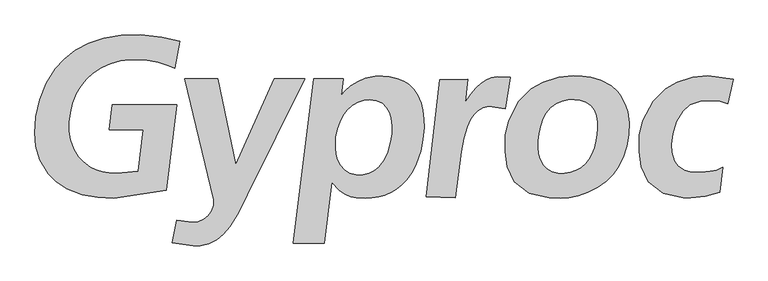
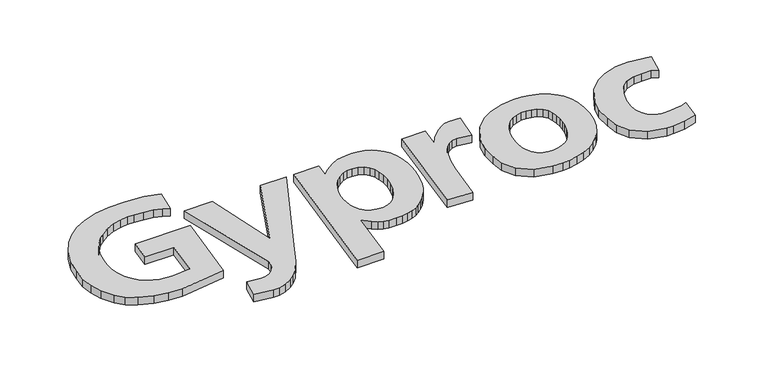
"""IFC4 building model written with IfcOpenShell, lengths in millimetres: proxy geometry."""

import ifcopenshell
import ifcopenshell.guid

model = None  # the IFC model being written
_history = None  # IfcOwnerHistory: only IFC2X3 demands one
_inside = {}  # id of a spatial element -> (the spatial element, [elements in it])
_under = {}  # id of a project, library or spatial element -> (it, [spatial elements below it])
_declared = {}  # id of a project -> (the project, [libraries it declares])
_typed = {}  # id of a type object -> (the type object, [elements of that type])
_made_of = {}  # id of a material, layer set ... -> (it, [elements and type objects made of it])


def new_model(schema):
    """Start an empty IFC model of exactly this schema.

    Asked for "IFC4X3", IfcOpenShell would pick the latest addendum, in which some entities
    have other attributes; the version numbers below select the first issue.
    IFC2X3 requires an IfcOwnerHistory on every rooted entity: one is made here for all.
    """
    global model, _history
    if schema == "IFC4X3":
        model = ifcopenshell.file(schema_version=(4, 3, 0, 0))
    else:
        model = ifcopenshell.file(schema=schema)
    _inside.clear()
    _under.clear()
    _declared.clear()
    _typed.clear()
    _made_of.clear()
    _history = None
    if model.schema == "IFC2X3":
        org = make("IfcOrganization", Name="unknown")
        user = make(
            "IfcPersonAndOrganization",
            ThePerson=make("IfcPerson", FamilyName="unknown"),
            TheOrganization=org,
        )
        app = make(
            "IfcApplication",
            ApplicationDeveloper=org,
            Version="unknown",
            ApplicationFullName="unknown",
            ApplicationIdentifier="unknown",
        )
        _history = make(
            "IfcOwnerHistory",
            OwningUser=user,
            OwningApplication=app,
            ChangeAction="ADDED",
            CreationDate=0,
        )
    return model


def make(cls, **values):
    """One entity of the class cls with the attributes given. An attribute that is None is left unset."""
    return model.create_entity(
        cls, **{name: value for name, value in values.items() if value is not None}
    )


def rooted(cls, **values):
    """An entity with a GlobalId (a new one), such as an element, a storey or a relation."""
    return make(cls, GlobalId=ifcopenshell.guid.new(), OwnerHistory=_history, **values)


def si_unit(unit_type, name, prefix=None):
    """IfcSIUnit, for example si_unit("LENGTHUNIT", "METRE", prefix="MILLI")."""
    return make("IfcSIUnit", UnitType=unit_type, Prefix=prefix, Name=name)


def assignment(units):
    """IfcUnitAssignment: the units of a project."""
    return None if units is None else make("IfcUnitAssignment", Units=units)


def point(xyz):
    """IfcCartesianPoint."""
    return None if xyz is None else make("IfcCartesianPoint", Coordinates=xyz)


def direction(xyz):
    """IfcDirection."""
    return None if xyz is None else make("IfcDirection", DirectionRatios=xyz)


def frame(location, z_axis=None, x_axis=None):
    """IfcAxis2Placement3D, a coordinate frame: its origin and axes. An axis left out is left unset."""
    return make(
        "IfcAxis2Placement3D",
        Location=point(location),
        Axis=direction(z_axis),
        RefDirection=direction(x_axis),
    )


def origin():
    """The frame at (0, 0, 0) with its axes left unset."""
    return frame((0.0, 0.0, 0.0))


def origin_with_axes():
    """The frame at (0, 0, 0) with the z axis (0, 0, 1) and the x axis (1, 0, 0) written out."""
    return frame((0.0, 0.0, 0.0), z_axis=(0.0, 0.0, 1.0), x_axis=(1.0, 0.0, 0.0))


def place(relative_to, where):
    """IfcLocalPlacement: puts the frame where relative to a parent placement (None: the world)."""
    return make(
        "IfcLocalPlacement", PlacementRelTo=relative_to, RelativePlacement=where
    )


def context(
    kind, dimensions, precision=None, world=None, true_north=None, identifier=None
):
    """IfcGeometricRepresentationContext, for example the 3D "Model" context."""
    return make(
        "IfcGeometricRepresentationContext",
        ContextIdentifier=identifier,
        ContextType=kind,
        CoordinateSpaceDimension=dimensions,
        Precision=precision,
        WorldCoordinateSystem=world,
        TrueNorth=true_north,
    )


def project(units=None, contexts=None):
    """IfcProject with its units and contexts."""
    return rooted(
        "IfcProject",
        Name="project",
        RepresentationContexts=contexts,
        UnitsInContext=assignment(units),
    )


def spatial(cls, under=None, at=None, **own):
    """A site, building, storey or space (cls), placed at a placement, below another one or the project."""
    s = rooted(cls, ObjectPlacement=at, **own)
    if under is not None:
        _under.setdefault(under.id(), (under, []))[1].append(s)
    return s


def polyline(points):
    """IfcPolyline through the points."""
    return make("IfcPolyline", Points=[point(p) for p in points])


def outline(outer, holes=None, kind="AREA"):
    """IfcArbitraryClosedProfileDef: a profile drawn as a closed curve; with holes, ...WithVoids."""
    if holes is None:
        return make("IfcArbitraryClosedProfileDef", ProfileType=kind, OuterCurve=outer)
    return make(
        "IfcArbitraryProfileDefWithVoids",
        ProfileType=kind,
        OuterCurve=outer,
        InnerCurves=holes,
    )


def extrude(swept, where, along, depth):
    """IfcExtrudedAreaSolid: the profile swept, set in the frame where, extruded along a direction by depth."""
    return make(
        "IfcExtrudedAreaSolid",
        SweptArea=swept,
        Position=where,
        ExtrudedDirection=direction(along),
        Depth=depth,
    )


def shape(context_of_items, identifier, shape_type, items):
    """IfcShapeRepresentation: the items that make up one representation, for example the "Body"."""
    return make(
        "IfcShapeRepresentation",
        ContextOfItems=context_of_items,
        RepresentationIdentifier=identifier,
        RepresentationType=shape_type,
        Items=items,
    )


def source(mapping_origin, context_of_items, identifier, shape_type, items):
    """IfcRepresentationMap: a shape defined once, which mapped items show again and again."""
    return make(
        "IfcRepresentationMap",
        MappingOrigin=mapping_origin,
        MappedRepresentation=shape(context_of_items, identifier, shape_type, items),
    )


def transform(
    local_origin,
    x_axis=None,
    y_axis=None,
    z_axis=None,
    scale=None,
    scale2=None,
    scale3=None,
    uniform=True,
):
    """IfcCartesianTransformationOperator3D, or its non-uniform kind. x_axis, y_axis, z_axis: its Axis1, 2, 3."""
    if uniform:
        return make(
            "IfcCartesianTransformationOperator3D",
            Axis1=direction(x_axis),
            Axis2=direction(y_axis),
            LocalOrigin=point(local_origin),
            Scale=scale,
            Axis3=direction(z_axis),
        )
    return make(
        "IfcCartesianTransformationOperator3DnonUniform",
        Axis1=direction(x_axis),
        Axis2=direction(y_axis),
        LocalOrigin=point(local_origin),
        Scale=scale,
        Axis3=direction(z_axis),
        Scale2=scale2,
        Scale3=scale3,
    )


def mapped(mapping_source, mapping_target):
    """IfcMappedItem: shows the shape of a source again, moved by a transform."""
    return make(
        "IfcMappedItem", MappingSource=mapping_source, MappingTarget=mapping_target
    )


def made_of(thing, what):
    """Note that an element or type object is made of a material, layer set ...; save() writes the relation."""
    if what is not None:
        _made_of.setdefault(what.id(), (what, []))[1].append(thing)
    return thing


def element(
    cls,
    number,
    at=None,
    inside=None,
    cuts=None,
    type_object=None,
    material=None,
    context=None,
    identifier="Body",
    shape_type=None,
    held_by="IfcProductDefinitionShape",
    body=None,
    shapes=None,
    **own,
):
    """One element of the class cls, such as IfcWall. Its Tag is "e" and its number.

    at: its placement. inside: the storey or other place that contains it. cuts: it is an
    opening in that element (IfcRelVoidsElement). A single representation is given by context,
    identifier, shape_type and body (its items); several are given by shapes. held_by: the class
    of the entity that holds the representations. save() writes the other relations.
    """
    e = rooted(cls, Tag="e%d" % number, ObjectPlacement=at, **own)
    if body is not None:
        shapes = [shape(context, identifier, shape_type, body)]
    if shapes is not None:
        e.Representation = make(held_by, Representations=shapes)
    if inside is not None:
        _inside.setdefault(inside.id(), (inside, []))[1].append(e)
    if cuts is not None:
        rooted(
            "IfcRelVoidsElement", RelatingBuildingElement=cuts, RelatedOpeningElement=e
        )
    if type_object is not None:
        _typed.setdefault(type_object.id(), (type_object, []))[1].append(e)
    return made_of(e, material)


def aggregate(whole, parts):
    """IfcRelAggregates: a whole, such as a stair, and the parts it consists of."""
    return rooted("IfcRelAggregates", RelatingObject=whole, RelatedObjects=parts)


def save(model, path):
    """Write the relations noted so far, then the file.

    IfcRelAggregates (storeys below a building ...), IfcRelContainedInSpatialStructure (elements
    in a storey), IfcRelDefinesByType, IfcRelAssociatesMaterial and IfcRelDeclares: one each for
    every whole, place, type object, material and project.
    """
    for whole, parts in _under.values():
        aggregate(whole, parts)
    for where, things in _inside.values():
        rooted(
            "IfcRelContainedInSpatialStructure",
            RelatedElements=things,
            RelatingStructure=where,
        )
    for kind, things in _typed.values():
        rooted("IfcRelDefinesByType", RelatedObjects=things, RelatingType=kind)
    for what, things in _made_of.values():
        rooted("IfcRelAssociatesMaterial", RelatedObjects=things, RelatingMaterial=what)
    for by, libraries in _declared.values():
        rooted("IfcRelDeclares", RelatingContext=by, RelatedDefinitions=libraries)
    model.write(path)


def entourage_49f1e8ef(model_context):
    return source(origin(), model_context, "Body", "SweptSolid", [
        extrude(outline(polyline([(1811.540008, -188.2841127), (1754.307508, -474.7391127), (1675.6255342, -442.4585543), (1577.9936936, -414.41896), (1462.7948781, -393.8115472), (1346.5825834, -385.3658863), (1268.8825026, -387.0550185), (1175.3045792, -398.5411174), (1067.5379454, -427.2563646), (969.2304519, -469.8224958), (880.7199251, -528.9421225), (809.1007202, -595.8317573), (750.6567464, -668.4644415), (704.0366979, -745.4888694), (660.7949138, -851.2285446), (634.782278, -953.5899554), (622.9583527, -1055.9513662), (623.971832, -1147.8401574), (638.1605424, -1240.4046014), (675.6592771, -1346.8199295), (722.2793255, -1422.4930516), (774.6424235, -1479.9235461), (853.0181571, -1536.3405613), (912.1377838, -1565.0558086), (981.7300301, -1586.0010477), (1047.944012, -1598.500626), (1135.070008, -1603.4441127), (1363.677508, -1578.9116127), (1417.880008, -1137.1616127), (1055.007508, -1137.1616127), (1087.872508, -870.3416127), (1779.102508, -870.3416127), (1667.030008, -1782.8516127), (1102.205008, -1870.2641127), (931.2279613, -1860.2120851), (768.6016922, -1830.278129), (601.954444, -1767.729564), (488.0267005, -1695.3519387), (400.4587094, -1607.7839477), (312.4439429, -1459.4544934), (270.0002738, -1313.3589165), (258.8308872, -1167.7101151), (270.4470493, -995.7015612), (310.6568411, -813.8639471), (378.5667117, -640.0682914), (476.4105384, -482.8033279), (571.5737124, -380.0449711), (690.4159859, -285.775348), (836.9583383, -208.4831927), (996.0104037, -154.8701369), (1184.5496497, -124.4894053), (1386.9389352, -120.0216507), (1619.7089522, -142.8071994), (1811.540008, -188.2841127)])), origin_with_axes(), (0.0, 0.0, 1.0), 100.0),
        extrude(outline(polyline([(2220.057508, -591.8516127), (2409.9331544, -1511.8838457), (2821.745008, -591.8516127), (3149.127508, -591.8516127), (2534.967508, -1832.1791127), (2437.0552711, -2028.4684101), (2345.3691757, -2177.2640648), (2278.1586058, -2255.352646), (2205.8975307, -2312.4622054), (2118.4849398, -2355.1972498), (2029.1298469, -2376.1762716), (1953.935008, -2380.6616127), (1729.347508, -2346.7691127), (1779.807508, -2106.5291127), (1943.337508, -2128.2041127), (2010.275856, -2120.0410778), (2066.6781831, -2096.246346), (2116.0302193, -2054.8258871), (2150.6941495, -2004.0050403), (2172.4325464, -1945.5463784), (2174.887188, -1885.8055659), (1863.935008, -591.8516127), (2220.057508, -591.8516127)])), origin_with_axes(), (0.0, 0.0, 1.0), 100.0),
        extrude(outline(polyline([(3244.175008, -591.1991127), (3560.892508, -591.1991127), (3538.827508, -768.4541127), (3585.2904247, -718.4475047), (3643.7096592, -666.0256822), (3714.7900966, -619.6012715), (3795.8662205, -586.5044428), (3907.1515303, -564.9581852), (3984.4515059, -562.5147952), (4052.6443006, -567.845828), (4139.0514573, -587.1708219), (4209.0212629, -616.7136287), (4261.4430854, -650.6989628), (4316.3082981, -703.1207854), (4359.845066, -766.6489264), (4396.2737901, -852.6118303), (4414.0438995, -926.1356578), (4426.2608497, -1023.4270065), (4427.1493551, -1108.0571523), (4420.4855641, -1200.6838472), (4409.1571194, -1277.7616965), (4389.6099991, -1366.1679906), (4372.0620162, -1425.0314778), (4335.8554184, -1516.5475409), (4294.0956614, -1595.1802748), (4239.6747015, -1670.7032396), (4189.2520162, -1724.9020731), (4131.0549081, -1771.1043574), (4076.6339482, -1804.4233124), (4007.5526481, -1835.5210038), (3941.1368644, -1854.6238713), (3869.1679215, -1866.8408215), (3795.522508, -1870.3691127), (3702.1826636, -1863.9203655), (3644.0177638, -1850.9948322), (3584.9715776, -1826.9063383), (3524.750343, -1787.2484521), (3438.1701405, -1700.6682496), (3357.417508, -2351.0216127), (3026.022508, -2351.0216127), (3244.175008, -591.1991127)]), holes=[polyline([(3784.7916443, -819.7967441), (3722.1090467, -840.3484154), (3663.0229915, -874.2586732), (3603.9369363, -929.2343941), (3561.2922182, -988.3204493), (3527.8957522, -1053.5720059), (3501.6923712, -1123.9614803), (3483.590008, -1212.6266127), (3479.0855327, -1274.5024731), (3480.1131163, -1336.671279), (3486.7924095, -1396.7849178), (3504.2613301, -1456.3847647), (3532.5198783, -1515.4708199), (3576.7059717, -1565.8224148), (3633.7368598, -1600.7602561), (3698.4746246, -1616.1740096), (3770.4054744, -1616.1740096), (3834.6294474, -1602.3016315), (3888.5775847, -1574.5568751), (3936.3602207, -1536.5362831), (3994.9324841, -1461.0088908), (4038.6047857, -1370.067745), (4067.3771257, -1266.2818046), (4080.2219203, -1178.9372012), (4081.2495038, -1092.1063897), (4070.4598764, -1009.8997042), (4052.9909557, -953.8963997), (4022.9341363, -898.6637829), (3976.9497716, -852.6794183), (3916.8361329, -824.4208701), (3843.3639077, -813.6312426), (3784.7916443, -819.7967441)])]), origin_with_axes(), (0.0, 0.0, 1.0), 100.0),
        extrude(outline(polyline([(4597.085008, -599.7041127), (4893.545008, -594.3191127), (4868.795008, -839.9441127), (4925.1620196, -753.4493379), (4986.3032419, -685.1150306), (5040.2513793, -637.8461865), (5090.5182401, -603.5378753), (5147.3053287, -576.6895579), (5209.6744865, -566.5342837), (5352.027508, -572.4266127), (5299.257508, -911.5991127), (5118.935008, -883.4141127), (5058.2260199, -899.2713821), (5004.0913391, -931.1392751), (4960.9083074, -974.0285446), (4924.7755666, -1029.2558232), (4889.8178743, -1105.9277366), (4853.2914989, -1228.6699247), (4824.4709033, -1372.4325207), (4763.465008, -1861.9241127), (4448.930008, -1851.2216127), (4597.085008, -599.7041127)])), origin_with_axes(), (0.0, 0.0, 1.0), 100.0),
        extrude(outline(polyline([(5701.6779807, -625.521712), (5870.4352704, -574.4191525), (6027.051883, -557.6366127), (6123.8107379, -560.5575641), (6211.1553412, -573.4023587), (6321.106783, -606.7988246), (6431.0582248, -665.371088), (6496.340008, -721.8341127), (6536.3855406, -773.7811545), (6583.6543848, -865.7498839), (6606.775015, -942.3048598), (6623.7301439, -1059.9631783), (6620.1336014, -1188.4111244), (6599.5819301, -1312.7487362), (6561.0475462, -1432.4622219), (6503.5028664, -1542.4136637), (6451.6098962, -1613.8307218), (6381.2204218, -1686.7891551), (6287.1965252, -1753.0682953), (6181.3554177, -1808.0440162), (6081.6798116, -1840.9266904), (5974.8111204, -1862.5059453), (5890.4924523, -1870.8620919), (5765.853288, -1863.8674578), (5555.5008917, -1817.5186247), (5393.8741916, -1691.5448732), (5319.0029997, -1533.4834681), (5296.422799, -1373.0451997), (5296.422799, -1195.9688886), (5332.0757475, -1040.2843467), (5443.1941038, -831.7145977), (5578.0810924, -696.8276091), (5701.6779807, -625.521712)]), holes=[polyline([(5905.8215565, -830.3417341), (5843.8483001, -859.2181618), (5786.9839502, -901.6442979), (5738.7825286, -960.5077851), (5705.9078263, -1020.4819041), (5675.9207668, -1106.0005554), (5659.4834156, -1180.6350147), (5651.7089928, -1255.935853), (5649.9319818, -1328.571175), (5657.0400256, -1390.7665577), (5671.9224922, -1448.2972867), (5702.3538044, -1508.4935322), (5745.0020669, -1554.0294374), (5799.6451531, -1585.1271287), (5864.950305, -1600.2317217), (5927.5899404, -1599.787469), (5993.1172187, -1588.903277), (6049.9815686, -1570.4667885), (6106.4016658, -1541.8124872), (6152.6039501, -1500.2748566), (6190.8096852, -1450.0742977), (6221.0188711, -1395.6533378), (6248.1182878, -1328.571175), (6268.1096609, -1254.1588421), (6279.2159792, -1186.8545529), (6284.1027593, -1121.5494011), (6280.9929901, -1049.8025846), (6271.21943, -988.0514546), (6249.2289197, -928.7437146), (6214.437508, -879.4241127), (6157.9349829, -841.4480524), (6097.2944847, -821.4566794), (6037.542492, -812.5716247), (5974.0143511, -814.1265093), (5905.8215565, -830.3417341)])]), origin_with_axes(), (0.0, 0.0, 1.0), 100.0),
        extrude(outline(polyline([(7273.1758391, -870.405494), (7196.7028481, -938.6111346), (7127.4637886, -1050.2203648), (7089.2272931, -1177.330877), (7074.7594299, -1289.973526), (7081.9933615, -1377.8141238), (7107.290638, -1468.1616104), (7146.0653269, -1522.4927556), (7216.3378052, -1572.0968579), (7294.8776339, -1592.7652338), (7399.2529325, -1592.7652338), (7493.2940431, -1581.3976271), (7562.5331026, -1567.9631827), (7625.6560196, -1538.0628536), (7594.115008, -1804.1291127), (7440.1852366, -1847.2294152), (7284.5006947, -1863.8674578), (7202.498913, -1863.8674578), (6992.1465167, -1817.5186247), (6830.5198166, -1691.5448732), (6755.6486247, -1533.4834681), (6733.068424, -1373.0451997), (6733.068424, -1195.9688886), (6768.7213725, -1040.2843467), (6879.8397288, -831.7145977), (7014.7267174, -696.8276091), (7138.3236057, -625.521712), (7307.0808954, -574.4191525), (7463.697508, -557.6366127), (7737.657508, -593.6666127), (7682.675008, -859.4516127), (7597.6693417, -829.068742), (7485.0266927, -822.8682293), (7383.980008, -831.3491127), (7273.1758391, -870.405494)])), origin_with_axes(), (0.0, 0.0, 1.0), 100.0),
    ])


if __name__ == "__main__":
    model = new_model("IFC4")
    model_context = context("Model", 3, world=origin())
    ifc_project = project(units=[si_unit("LENGTHUNIT", "METRE", prefix="MILLI")], contexts=[model_context])
    site = spatial("IfcSite", under=ifc_project)
    building = spatial("IfcBuilding", under=site)
    placement = place(None, origin())
    entourage_shape = entourage_49f1e8ef(model_context)
    element("IfcBuildingElementProxy", 1, Name="Entourage", at=placement, inside=building, context=model_context, shape_type="MappedRepresentation", body=[
        mapped(entourage_shape, transform((0.0, 0.0, 0.0), x_axis=(1.0, 0.0, 0.0), y_axis=(0.0, 1.0, 0.0), z_axis=(0.0, 0.0, 1.0))),
    ])
    save(model, "model.ifc")
